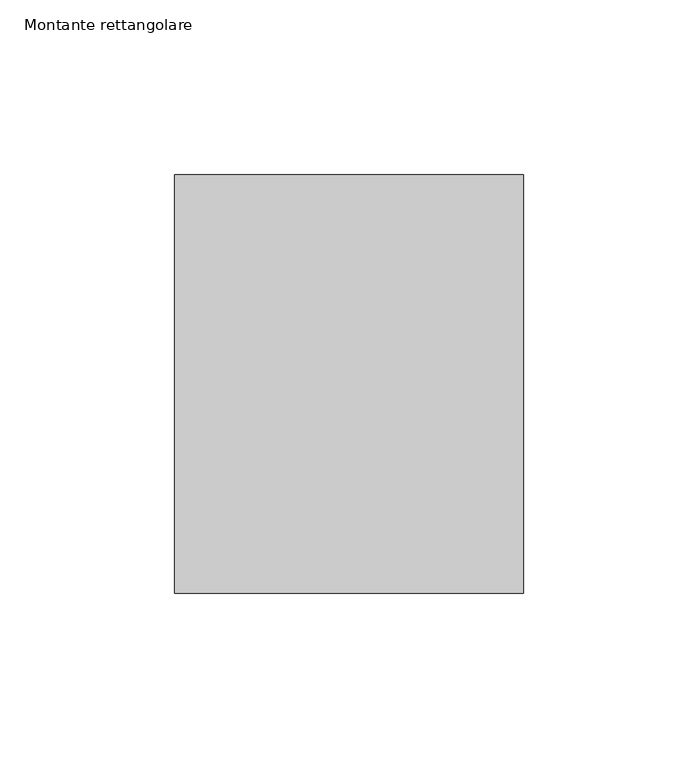
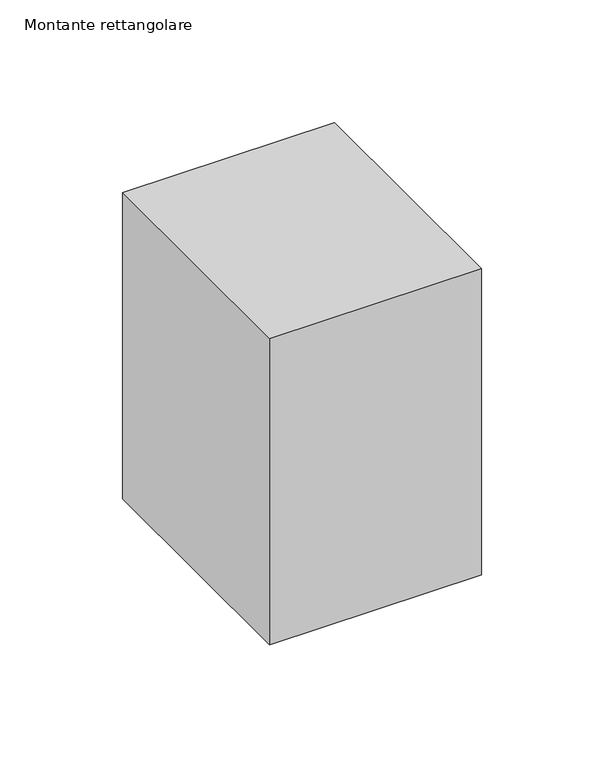
"""IFC4 building model written with IfcOpenShell, lengths in millimetres: member geometry, Montante rettangolare."""

from ifc_helpers import new_model, si_unit, frame, origin, place, context, project, spatial, polyline, outline, extrude, source, transform, mapped, element, save


def montante_rettangolare_26e08672(model_context):
    return source(origin(), model_context, "Body", "SweptSolid", [
        extrude(outline(polyline([(0.0, 60.0), (0.0, -60.0), (-100.0, -60.0), (-100.0, 60.0), (0.0, 60.0)])), frame((0.0, 0.0, -152.8075042), z_axis=(0.0, 0.0, 1.0), x_axis=(1.0, 0.0, 0.0)), (0.0, 0.0, 1.0), 152.8075042),
    ])


if __name__ == "__main__":
    model = new_model("IFC4")
    model_context = context("Model", 3, world=origin())
    ifc_project = project(units=[si_unit("LENGTHUNIT", "METRE", prefix="MILLI")], contexts=[model_context])
    site = spatial("IfcSite", under=ifc_project)
    building = spatial("IfcBuilding", under=site)
    placement = place(None, origin())
    montante_rettangolare_shape = montante_rettangolare_26e08672(model_context)
    element("IfcMember", 1, ObjectType="Montante rettangolare", at=placement, inside=building, context=model_context, shape_type="MappedRepresentation", body=[
        mapped(montante_rettangolare_shape, transform((0.0, 0.0, 0.0), x_axis=(1.0, 0.0, 0.0), y_axis=(0.0, 1.0, 0.0), z_axis=(0.0, 0.0, 1.0))),
    ])
    save(model, "model.ifc")
